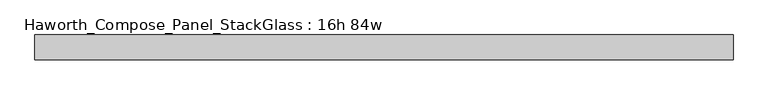
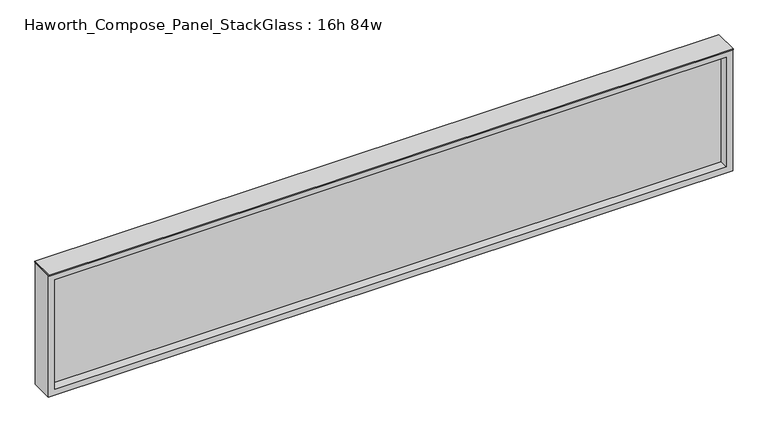
"""IFC4 building model written with IfcOpenShell, lengths in millimetres: furniture geometry, Haworth_Compose_Panel_StackGlass : 16h 84w."""

from ifc_helpers import new_model, si_unit, frame, origin, place, context, project, spatial, polyline, outline, extrude, source, transform, mapped, element, save


def haworth_compose_panel_stackglass_16h_84w_7ae13951(model_context):
    return source(origin(), model_context, "Body", "SweptSolid", [
        extrude(outline(polyline([(1050.1902902, -6.35), (-1045.3097098, -6.35), (-1045.3097098, 6.35), (1050.1902902, 6.35), (1050.1902902, -6.35)])), frame((0.0, 0.0, 1085.85), z_axis=(0.0, 0.0, 1.0), x_axis=(1.0, 0.0, 0.0)), (0.0, 0.0, 1.0), 361.95),
        extrude(outline(polyline([(1466.85, -1064.3597098), (1066.8, -1064.3597098), (1066.8, 1069.2402902), (1466.85, 1069.2402902), (1466.85, -1064.3597098)]), holes=[polyline([(1447.8, 1050.1902902), (1085.85, 1050.1902902), (1085.85, -1045.3097098), (1447.8, -1045.3097098), (1447.8, 1050.1902902)])]), frame((0.0, -34.925, 0.0), z_axis=(0.0, 1.0, 0.0), x_axis=(0.0, 0.0, 1.0)), (0.0, 0.0, 1.0), 69.85),
        extrude(outline(polyline([(-1064.3597098, -38.1), (-1064.3597098, 38.1), (1069.2402902, 38.1), (1069.2402902, -38.1), (-1064.3597098, -38.1)])), frame((0.0, 0.0, 1466.85), z_axis=(0.0, 0.0, 1.0), x_axis=(1.0, 0.0, 0.0)), (0.0, 0.0, 1.0), 3.175),
    ])


if __name__ == "__main__":
    model = new_model("IFC4")
    model_context = context("Model", 3, world=origin())
    ifc_project = project(units=[si_unit("LENGTHUNIT", "METRE", prefix="MILLI")], contexts=[model_context])
    site = spatial("IfcSite", under=ifc_project)
    building = spatial("IfcBuilding", under=site)
    placement = place(None, origin())
    haworth_compose_panel_stackglass_16h_84w_shape = haworth_compose_panel_stackglass_16h_84w_7ae13951(model_context)
    element("IfcFurniture", 1, ObjectType="Haworth_Compose_Panel_StackGlass : 16h 84w", at=placement, inside=building, context=model_context, shape_type="MappedRepresentation", body=[
        mapped(haworth_compose_panel_stackglass_16h_84w_shape, transform((0.0, 0.0, 0.0), x_axis=(1.0, 0.0, 0.0), y_axis=(0.0, 1.0, 0.0), z_axis=(0.0, 0.0, 1.0))),
    ])
    save(model, "model.ifc")
